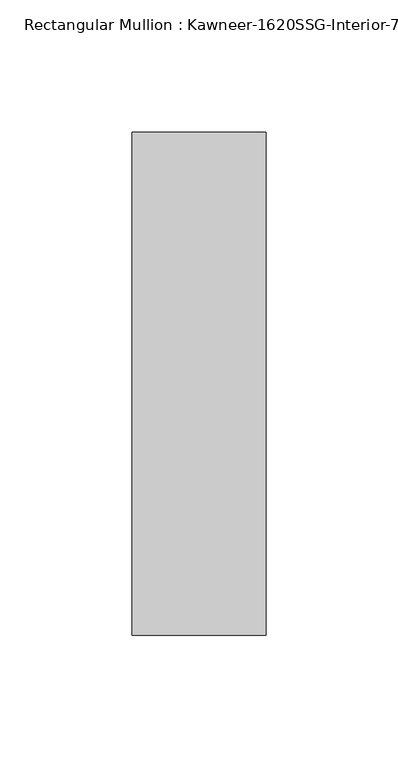
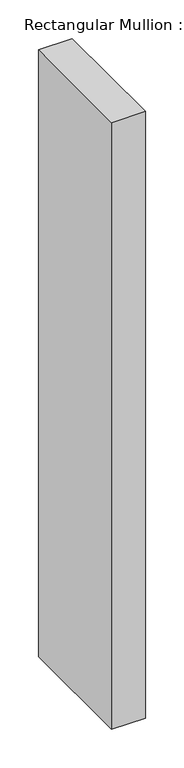
"""IFC4 building model written with IfcOpenShell, lengths in millimetres: member geometry."""

from ifc_helpers import new_model, si_unit, frame, origin, place, context, project, spatial, polyline, outline, extrude, source, transform, mapped, element, save


def member_77986665(model_context):
    return source(origin(), model_context, "Body", "SweptSolid", [
        extrude(outline(polyline([(25.4, -161.925), (-25.4, -161.925), (-25.4, 28.575), (25.4, 28.575), (25.4, -161.925)])), frame((0.0, 0.0, -962.025), z_axis=(0.0, 0.0, 1.0), x_axis=(1.0, 0.0, 0.0)), (0.0, 0.0, 1.0), 962.025),
    ])


if __name__ == "__main__":
    model = new_model("IFC4")
    model_context = context("Model", 3, world=origin())
    ifc_project = project(units=[si_unit("LENGTHUNIT", "METRE", prefix="MILLI")], contexts=[model_context])
    site = spatial("IfcSite", under=ifc_project)
    building = spatial("IfcBuilding", under=site)
    placement = place(None, origin())
    member_shape = member_77986665(model_context)
    element("IfcMember", 1, ObjectType="Rectangular Mullion : Kawneer-1620SSG-Interior-7.5\"-1/4\"Infill", at=placement, inside=building, context=model_context, shape_type="MappedRepresentation", body=[
        mapped(member_shape, transform((0.0, 0.0, 0.0), x_axis=(1.0, 0.0, 0.0), y_axis=(0.0, 1.0, 0.0), z_axis=(0.0, 0.0, 1.0))),
    ])
    save(model, "model.ifc")
